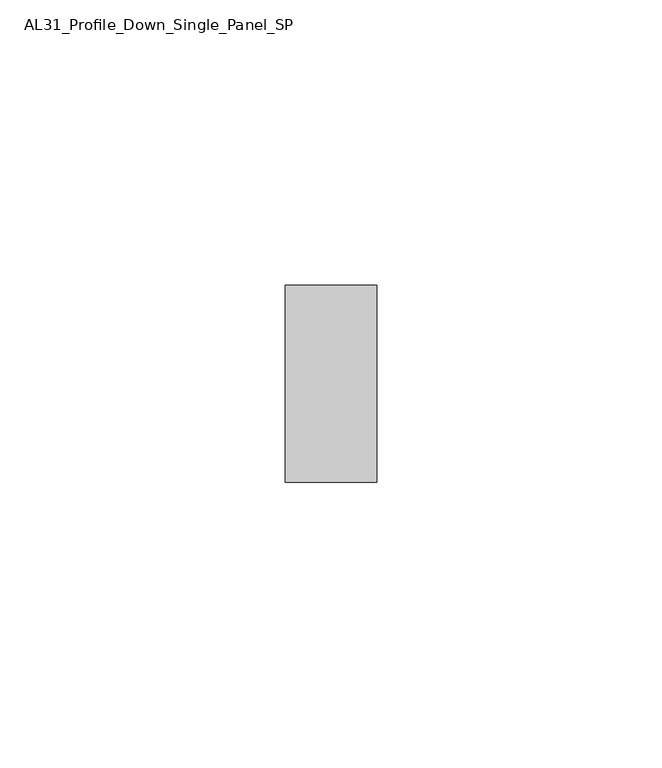
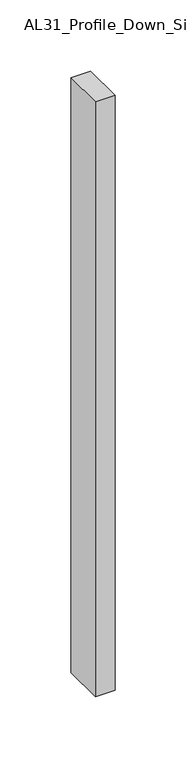
"""IFC4 building model written with IfcOpenShell, lengths in millimetres: member geometry, AL31_Profile_Down_Single_Panel_SP."""

from ifc_helpers import new_model, si_unit, frame, origin, place, context, project, spatial, polyline, outline, extrude, source, transform, mapped, element, save


def al31_profile_down_single_panel_sp_aa96948e(model_context):
    return source(origin(), model_context, "Body", "SweptSolid", [
        extrude(outline(polyline([(0.0, -17.25), (-16.0, -17.25), (-16.0, 17.25), (0.0, 17.25), (0.0, -17.25)])), frame((0.0, 0.0, -511.1262717), z_axis=(0.0, 0.0, 1.0), x_axis=(1.0, 0.0, 0.0)), (0.0, 0.0, 1.0), 511.1262717),
    ])


if __name__ == "__main__":
    model = new_model("IFC4")
    model_context = context("Model", 3, world=origin())
    ifc_project = project(units=[si_unit("LENGTHUNIT", "METRE", prefix="MILLI")], contexts=[model_context])
    site = spatial("IfcSite", under=ifc_project)
    building = spatial("IfcBuilding", under=site)
    placement = place(None, origin())
    al31_profile_down_single_panel_sp_shape = al31_profile_down_single_panel_sp_aa96948e(model_context)
    element("IfcMember", 1, ObjectType="AL31_Profile_Down_Single_Panel_SP", at=placement, inside=building, context=model_context, shape_type="MappedRepresentation", body=[
        mapped(al31_profile_down_single_panel_sp_shape, transform((0.0, 0.0, 0.0), x_axis=(1.0, 0.0, 0.0), y_axis=(0.0, 1.0, 0.0), z_axis=(0.0, 0.0, 1.0))),
    ])
    save(model, "model.ifc")
